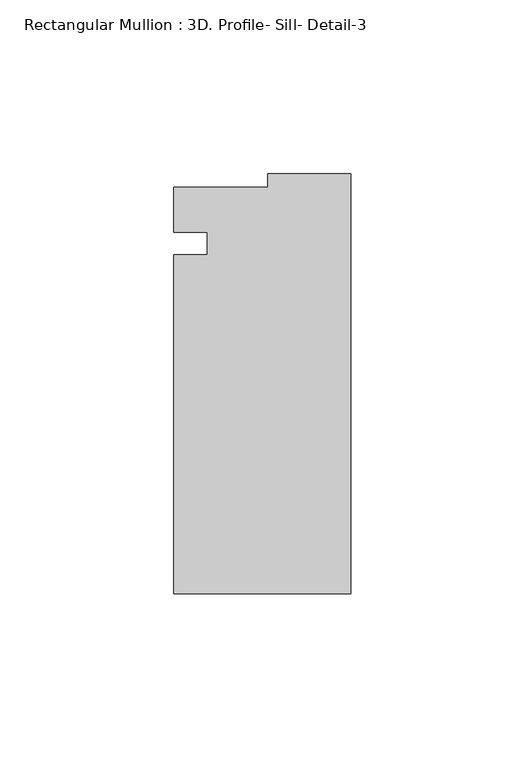
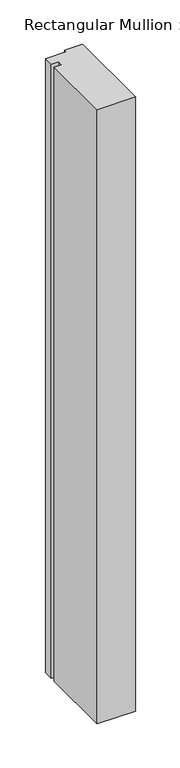
"""IFC4 building model written with IfcOpenShell, lengths in millimetres: member geometry, Rectangular Mullion : 3D. Profile- Sill- Detail-3."""

import ifcopenshell
import ifcopenshell.guid

model = None  # the IFC model being written
_history = None  # IfcOwnerHistory: only IFC2X3 demands one
_inside = {}  # id of a spatial element -> (the spatial element, [elements in it])
_under = {}  # id of a project, library or spatial element -> (it, [spatial elements below it])
_declared = {}  # id of a project -> (the project, [libraries it declares])
_typed = {}  # id of a type object -> (the type object, [elements of that type])
_made_of = {}  # id of a material, layer set ... -> (it, [elements and type objects made of it])


def new_model(schema):
    """Start an empty IFC model of exactly this schema.

    Asked for "IFC4X3", IfcOpenShell would pick the latest addendum, in which some entities
    have other attributes; the version numbers below select the first issue.
    IFC2X3 requires an IfcOwnerHistory on every rooted entity: one is made here for all.
    """
    global model, _history
    if schema == "IFC4X3":
        model = ifcopenshell.file(schema_version=(4, 3, 0, 0))
    else:
        model = ifcopenshell.file(schema=schema)
    _inside.clear()
    _under.clear()
    _declared.clear()
    _typed.clear()
    _made_of.clear()
    _history = None
    if model.schema == "IFC2X3":
        org = make("IfcOrganization", Name="unknown")
        user = make(
            "IfcPersonAndOrganization",
            ThePerson=make("IfcPerson", FamilyName="unknown"),
            TheOrganization=org,
        )
        app = make(
            "IfcApplication",
            ApplicationDeveloper=org,
            Version="unknown",
            ApplicationFullName="unknown",
            ApplicationIdentifier="unknown",
        )
        _history = make(
            "IfcOwnerHistory",
            OwningUser=user,
            OwningApplication=app,
            ChangeAction="ADDED",
            CreationDate=0,
        )
    return model


def make(cls, **values):
    """One entity of the class cls with the attributes given. An attribute that is None is left unset."""
    return model.create_entity(
        cls, **{name: value for name, value in values.items() if value is not None}
    )


def rooted(cls, **values):
    """An entity with a GlobalId (a new one), such as an element, a storey or a relation."""
    return make(cls, GlobalId=ifcopenshell.guid.new(), OwnerHistory=_history, **values)


def si_unit(unit_type, name, prefix=None):
    """IfcSIUnit, for example si_unit("LENGTHUNIT", "METRE", prefix="MILLI")."""
    return make("IfcSIUnit", UnitType=unit_type, Prefix=prefix, Name=name)


def assignment(units):
    """IfcUnitAssignment: the units of a project."""
    return None if units is None else make("IfcUnitAssignment", Units=units)


def point(xyz):
    """IfcCartesianPoint."""
    return None if xyz is None else make("IfcCartesianPoint", Coordinates=xyz)


def direction(xyz):
    """IfcDirection."""
    return None if xyz is None else make("IfcDirection", DirectionRatios=xyz)


def frame(location, z_axis=None, x_axis=None):
    """IfcAxis2Placement3D, a coordinate frame: its origin and axes. An axis left out is left unset."""
    return make(
        "IfcAxis2Placement3D",
        Location=point(location),
        Axis=direction(z_axis),
        RefDirection=direction(x_axis),
    )


def origin():
    """The frame at (0, 0, 0) with its axes left unset."""
    return frame((0.0, 0.0, 0.0))


def place(relative_to, where):
    """IfcLocalPlacement: puts the frame where relative to a parent placement (None: the world)."""
    return make(
        "IfcLocalPlacement", PlacementRelTo=relative_to, RelativePlacement=where
    )


def context(
    kind, dimensions, precision=None, world=None, true_north=None, identifier=None
):
    """IfcGeometricRepresentationContext, for example the 3D "Model" context."""
    return make(
        "IfcGeometricRepresentationContext",
        ContextIdentifier=identifier,
        ContextType=kind,
        CoordinateSpaceDimension=dimensions,
        Precision=precision,
        WorldCoordinateSystem=world,
        TrueNorth=true_north,
    )


def project(units=None, contexts=None):
    """IfcProject with its units and contexts."""
    return rooted(
        "IfcProject",
        Name="project",
        RepresentationContexts=contexts,
        UnitsInContext=assignment(units),
    )


def spatial(cls, under=None, at=None, **own):
    """A site, building, storey or space (cls), placed at a placement, below another one or the project."""
    s = rooted(cls, ObjectPlacement=at, **own)
    if under is not None:
        _under.setdefault(under.id(), (under, []))[1].append(s)
    return s


def polyline(points):
    """IfcPolyline through the points."""
    return make("IfcPolyline", Points=[point(p) for p in points])


def outline(outer, holes=None, kind="AREA"):
    """IfcArbitraryClosedProfileDef: a profile drawn as a closed curve; with holes, ...WithVoids."""
    if holes is None:
        return make("IfcArbitraryClosedProfileDef", ProfileType=kind, OuterCurve=outer)
    return make(
        "IfcArbitraryProfileDefWithVoids",
        ProfileType=kind,
        OuterCurve=outer,
        InnerCurves=holes,
    )


def extrude(swept, where, along, depth):
    """IfcExtrudedAreaSolid: the profile swept, set in the frame where, extruded along a direction by depth."""
    return make(
        "IfcExtrudedAreaSolid",
        SweptArea=swept,
        Position=where,
        ExtrudedDirection=direction(along),
        Depth=depth,
    )


def shape(context_of_items, identifier, shape_type, items):
    """IfcShapeRepresentation: the items that make up one representation, for example the "Body"."""
    return make(
        "IfcShapeRepresentation",
        ContextOfItems=context_of_items,
        RepresentationIdentifier=identifier,
        RepresentationType=shape_type,
        Items=items,
    )


def source(mapping_origin, context_of_items, identifier, shape_type, items):
    """IfcRepresentationMap: a shape defined once, which mapped items show again and again."""
    return make(
        "IfcRepresentationMap",
        MappingOrigin=mapping_origin,
        MappedRepresentation=shape(context_of_items, identifier, shape_type, items),
    )


def transform(
    local_origin,
    x_axis=None,
    y_axis=None,
    z_axis=None,
    scale=None,
    scale2=None,
    scale3=None,
    uniform=True,
):
    """IfcCartesianTransformationOperator3D, or its non-uniform kind. x_axis, y_axis, z_axis: its Axis1, 2, 3."""
    if uniform:
        return make(
            "IfcCartesianTransformationOperator3D",
            Axis1=direction(x_axis),
            Axis2=direction(y_axis),
            LocalOrigin=point(local_origin),
            Scale=scale,
            Axis3=direction(z_axis),
        )
    return make(
        "IfcCartesianTransformationOperator3DnonUniform",
        Axis1=direction(x_axis),
        Axis2=direction(y_axis),
        LocalOrigin=point(local_origin),
        Scale=scale,
        Axis3=direction(z_axis),
        Scale2=scale2,
        Scale3=scale3,
    )


def mapped(mapping_source, mapping_target):
    """IfcMappedItem: shows the shape of a source again, moved by a transform."""
    return make(
        "IfcMappedItem", MappingSource=mapping_source, MappingTarget=mapping_target
    )


def made_of(thing, what):
    """Note that an element or type object is made of a material, layer set ...; save() writes the relation."""
    if what is not None:
        _made_of.setdefault(what.id(), (what, []))[1].append(thing)
    return thing


def element(
    cls,
    number,
    at=None,
    inside=None,
    cuts=None,
    type_object=None,
    material=None,
    context=None,
    identifier="Body",
    shape_type=None,
    held_by="IfcProductDefinitionShape",
    body=None,
    shapes=None,
    **own,
):
    """One element of the class cls, such as IfcWall. Its Tag is "e" and its number.

    at: its placement. inside: the storey or other place that contains it. cuts: it is an
    opening in that element (IfcRelVoidsElement). A single representation is given by context,
    identifier, shape_type and body (its items); several are given by shapes. held_by: the class
    of the entity that holds the representations. save() writes the other relations.
    """
    e = rooted(cls, Tag="e%d" % number, ObjectPlacement=at, **own)
    if body is not None:
        shapes = [shape(context, identifier, shape_type, body)]
    if shapes is not None:
        e.Representation = make(held_by, Representations=shapes)
    if inside is not None:
        _inside.setdefault(inside.id(), (inside, []))[1].append(e)
    if cuts is not None:
        rooted(
            "IfcRelVoidsElement", RelatingBuildingElement=cuts, RelatedOpeningElement=e
        )
    if type_object is not None:
        _typed.setdefault(type_object.id(), (type_object, []))[1].append(e)
    return made_of(e, material)


def aggregate(whole, parts):
    """IfcRelAggregates: a whole, such as a stair, and the parts it consists of."""
    return rooted("IfcRelAggregates", RelatingObject=whole, RelatedObjects=parts)


def save(model, path):
    """Write the relations noted so far, then the file.

    IfcRelAggregates (storeys below a building ...), IfcRelContainedInSpatialStructure (elements
    in a storey), IfcRelDefinesByType, IfcRelAssociatesMaterial and IfcRelDeclares: one each for
    every whole, place, type object, material and project.
    """
    for whole, parts in _under.values():
        aggregate(whole, parts)
    for where, things in _inside.values():
        rooted(
            "IfcRelContainedInSpatialStructure",
            RelatedElements=things,
            RelatingStructure=where,
        )
    for kind, things in _typed.values():
        rooted("IfcRelDefinesByType", RelatedObjects=things, RelatingType=kind)
    for what, things in _made_of.values():
        rooted("IfcRelAssociatesMaterial", RelatedObjects=things, RelatingMaterial=what)
    for by, libraries in _declared.values():
        rooted("IfcRelDeclares", RelatingContext=by, RelatedDefinitions=libraries)
    model.write(path)


def rectangular_mullion_3d_profile_sill_detail_3_3ae55937(model_context):
    return source(origin(), model_context, "Body", "SweptSolid", [
        extrude(outline(polyline([(-50.8, -43.0771237), (-50.8, 54.3480517), (-41.275, 54.3480517), (-41.275, 60.7882901), (-50.7758192, 60.7882901), (-50.7758192, 73.7730363), (-23.7756192, 73.7730363), (-23.7756192, 77.5728763), (0.0, 77.5728763), (0.0, -43.0771237), (-50.8, -43.0771237)])), frame((0.0, 0.0, -850.9000041), z_axis=(0.0, 0.0, 1.0), x_axis=(1.0, 0.0, 0.0)), (0.0, 0.0, 1.0), 850.9000041),
    ])


if __name__ == "__main__":
    model = new_model("IFC4")
    model_context = context("Model", 3, world=origin())
    ifc_project = project(units=[si_unit("LENGTHUNIT", "METRE", prefix="MILLI")], contexts=[model_context])
    site = spatial("IfcSite", under=ifc_project)
    building = spatial("IfcBuilding", under=site)
    placement = place(None, origin())
    rectangular_mullion_3d_profile_sill_detail_3_shape = rectangular_mullion_3d_profile_sill_detail_3_3ae55937(model_context)
    element("IfcMember", 1, ObjectType="Rectangular Mullion : 3D. Profile- Sill- Detail-3", at=placement, inside=building, context=model_context, shape_type="MappedRepresentation", body=[
        mapped(rectangular_mullion_3d_profile_sill_detail_3_shape, transform((0.0, 0.0, 0.0), x_axis=(1.0, 0.0, 0.0), y_axis=(0.0, 1.0, 0.0), z_axis=(0.0, 0.0, 1.0))),
    ])
    save(model, "model.ifc")
